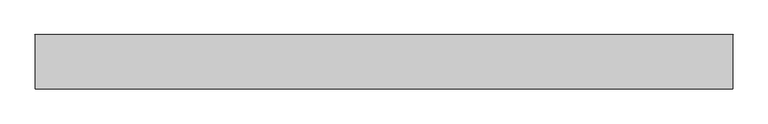
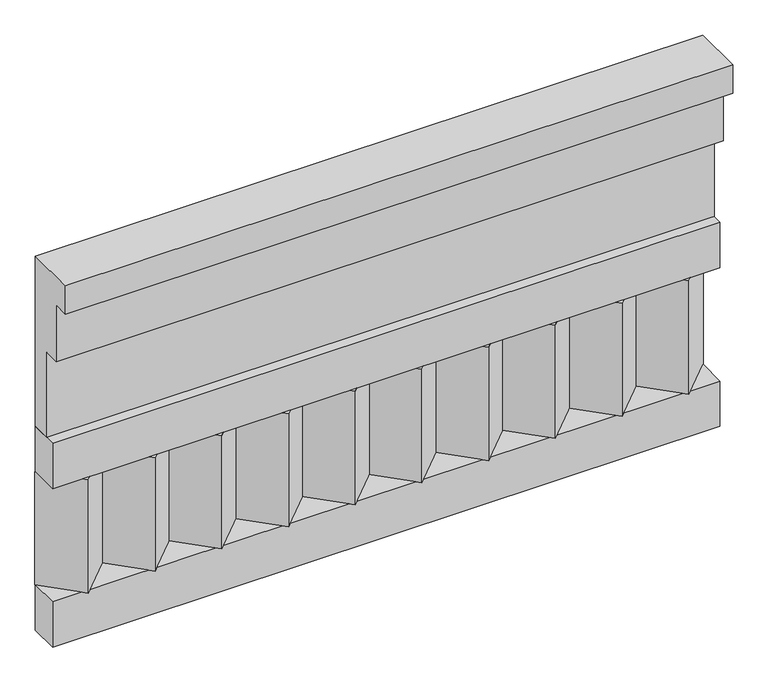
"""IFC4 building model written with IfcOpenShell, lengths in millimetres: railing geometry."""

from ifc_helpers import new_model, si_unit, frame, origin, place, context, project, spatial, polyline, outline, extrude, source, transform, mapped, element, save


def railing_af265dd6(model_context):
    return source(origin(), model_context, "Body", "SweptSolid", [
        extrude(outline(polyline([(-16816.8920513, 17930.0), (-16816.8920513, 17480.0), (-16866.8920513, 17480.0), (-16866.8920513, 17705.0), (-16906.8920513, 17705.0), (-16906.8920513, 17855.0), (-16946.8920513, 17855.0), (-16946.8920513, 17930.0), (-16816.8920513, 17930.0)])), frame((5490.0112841, 0.0, 0.0), z_axis=(1.0, 0.0, 0.0), x_axis=(0.0, 1.0, 0.0)), (0.0, 0.0, 1.0), 1670.0),
        extrude(outline(polyline([(5490.0112841, -16891.8920513), (5490.0112841, -16816.8920513), (7160.0112841, -16816.8920513), (7160.0112841, -16891.8920513), (5490.0112841, -16891.8920513)])), frame((0.0, 0.0, 17360.0), z_axis=(0.0, 0.0, 1.0), x_axis=(1.0, 0.0, 0.0)), (0.0, 0.0, 1.0), 120.0),
        extrude(outline(polyline([(5490.0112841, -16891.8920513), (5490.0112841, -16816.8920513), (7160.0112841, -16816.8920513), (7160.0112841, -16891.8920513), (5490.0112841, -16891.8920513)])), frame((0.0, 0.0, 16940.0), z_axis=(0.0, 0.0, 1.0), x_axis=(1.0, 0.0, 0.0)), (0.0, 0.0, 1.0), 120.0),
        extrude(outline(polyline([(7076.5112841, -16901.7448651), (6991.6584704, -16816.8920513), (7161.3640978, -16816.8920513), (7076.5112841, -16901.7448651)])), frame((0.0, 0.0, 17060.0), z_axis=(0.0, 0.0, 1.0), x_axis=(1.0, 0.0, 0.0)), (0.0, 0.0, 1.0), 300.0),
        extrude(outline(polyline([(6909.5112841, -16901.7448651), (6824.6584704, -16816.8920513), (6994.3640978, -16816.8920513), (6909.5112841, -16901.7448651)])), frame((0.0, 0.0, 17060.0), z_axis=(0.0, 0.0, 1.0), x_axis=(1.0, 0.0, 0.0)), (0.0, 0.0, 1.0), 300.0),
        extrude(outline(polyline([(6742.5112841, -16901.7448651), (6657.6584704, -16816.8920513), (6827.3640978, -16816.8920513), (6742.5112841, -16901.7448651)])), frame((0.0, 0.0, 17060.0), z_axis=(0.0, 0.0, 1.0), x_axis=(1.0, 0.0, 0.0)), (0.0, 0.0, 1.0), 300.0),
        extrude(outline(polyline([(6575.5112841, -16901.7448651), (6490.6584704, -16816.8920513), (6660.3640978, -16816.8920513), (6575.5112841, -16901.7448651)])), frame((0.0, 0.0, 17060.0), z_axis=(0.0, 0.0, 1.0), x_axis=(1.0, 0.0, 0.0)), (0.0, 0.0, 1.0), 300.0),
        extrude(outline(polyline([(6408.5112841, -16901.7448651), (6323.6584704, -16816.8920513), (6493.3640978, -16816.8920513), (6408.5112841, -16901.7448651)])), frame((0.0, 0.0, 17060.0), z_axis=(0.0, 0.0, 1.0), x_axis=(1.0, 0.0, 0.0)), (0.0, 0.0, 1.0), 300.0),
        extrude(outline(polyline([(6241.5112841, -16901.7448651), (6156.6584704, -16816.8920513), (6326.3640978, -16816.8920513), (6241.5112841, -16901.7448651)])), frame((0.0, 0.0, 17060.0), z_axis=(0.0, 0.0, 1.0), x_axis=(1.0, 0.0, 0.0)), (0.0, 0.0, 1.0), 300.0),
        extrude(outline(polyline([(6074.5112841, -16901.7448651), (5989.6584704, -16816.8920513), (6159.3640978, -16816.8920513), (6074.5112841, -16901.7448651)])), frame((0.0, 0.0, 17060.0), z_axis=(0.0, 0.0, 1.0), x_axis=(1.0, 0.0, 0.0)), (0.0, 0.0, 1.0), 300.0),
        extrude(outline(polyline([(5907.5112841, -16901.7448651), (5822.6584704, -16816.8920513), (5992.3640978, -16816.8920513), (5907.5112841, -16901.7448651)])), frame((0.0, 0.0, 17060.0), z_axis=(0.0, 0.0, 1.0), x_axis=(1.0, 0.0, 0.0)), (0.0, 0.0, 1.0), 300.0),
        extrude(outline(polyline([(5740.5112841, -16901.7448651), (5655.6584704, -16816.8920513), (5825.3640978, -16816.8920513), (5740.5112841, -16901.7448651)])), frame((0.0, 0.0, 17060.0), z_axis=(0.0, 0.0, 1.0), x_axis=(1.0, 0.0, 0.0)), (0.0, 0.0, 1.0), 300.0),
        extrude(outline(polyline([(5573.5112841, -16901.7448651), (5488.6584704, -16816.8920513), (5658.3640978, -16816.8920513), (5573.5112841, -16901.7448651)])), frame((0.0, 0.0, 17060.0), z_axis=(0.0, 0.0, 1.0), x_axis=(1.0, 0.0, 0.0)), (0.0, 0.0, 1.0), 300.0),
    ])


if __name__ == "__main__":
    model = new_model("IFC4")
    model_context = context("Model", 3, world=origin())
    ifc_project = project(units=[si_unit("LENGTHUNIT", "METRE", prefix="MILLI")], contexts=[model_context])
    site = spatial("IfcSite", under=ifc_project)
    building = spatial("IfcBuilding", under=site)
    placement = place(None, origin())
    railing_shape = railing_af265dd6(model_context)
    element("IfcRailing", 1, at=placement, inside=building, context=model_context, shape_type="MappedRepresentation", body=[
        mapped(railing_shape, transform((0.0, 0.0, 0.0), x_axis=(1.0, 0.0, 0.0), y_axis=(0.0, 1.0, 0.0), z_axis=(0.0, 0.0, 1.0))),
    ])
    save(model, "model.ifc")
